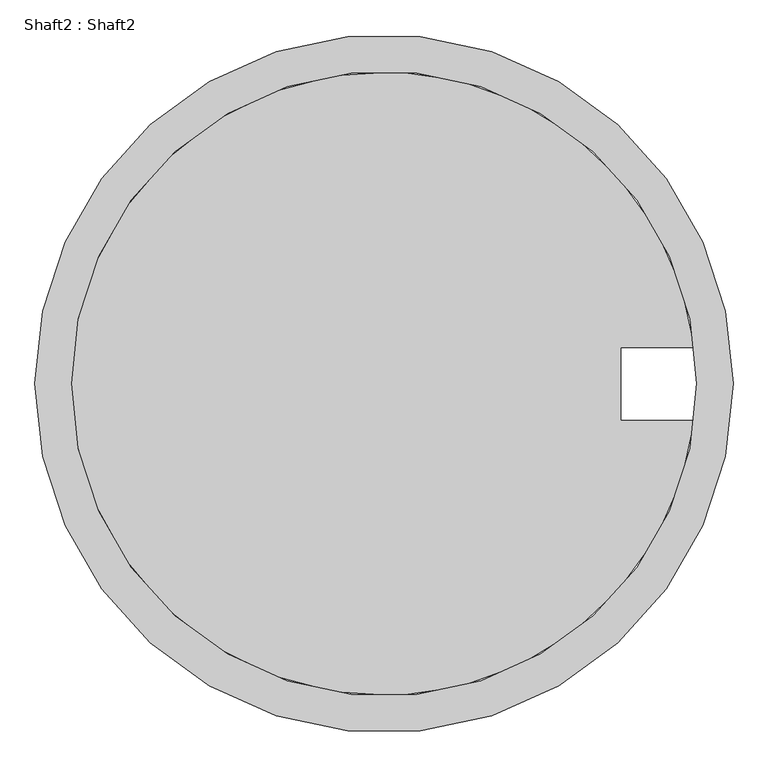
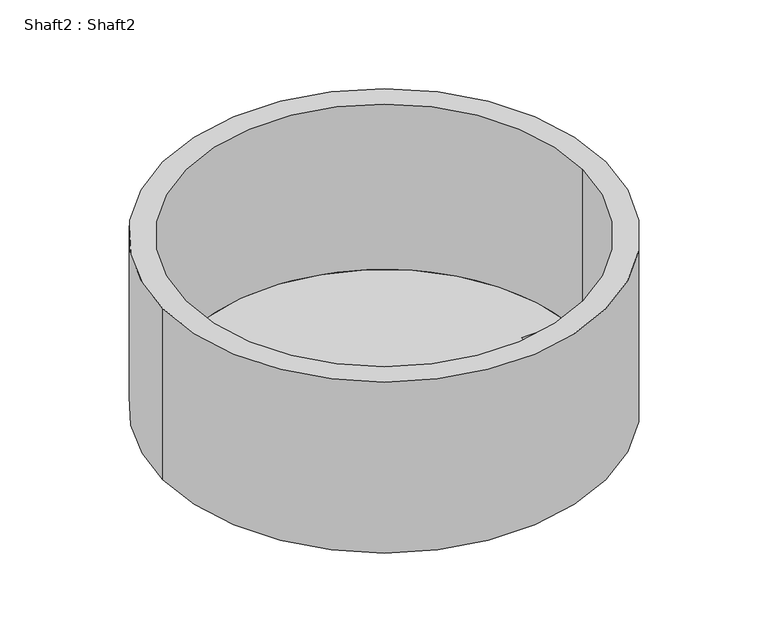
"""IFC4 building model written with IfcOpenShell, lengths in millimetres: proxy geometry, Shaft2 : Shaft2."""

from ifc_helpers import new_model, si_unit, frame, origin, place, context, project, spatial, polyline, circle_curve, source, transform, mapped, element, save
from ifc_brep_helpers import plane_surface, cylinder_surface, revolved_surface, advanced_brep


def shaft2_shaft2_d23c88e6(model_context):
    return source(origin(), model_context, "Body", "AdvancedBrep", [
        advanced_brep(
        [(7600.0, 3800.0, 0.0), (7600.0, 3800.0, 3100.0), (0.0, 3800.0, 3100.0), (0.0, 3800.0, 0.0), (7200.0, 3800.0, 0.0), (7200.0, 3800.0, 3100.0), (400.0, 3800.0, 3100.0), (400.0, 3800.0, 100.0), (7176.7120547, 4197.2602417, 100.0), (7176.7120547, 4197.2602417, 0.0), (6376.7120547, 4197.2602417, 100.0), (6376.7120547, 4197.2602417, 0.0), (6376.7120547, 3402.7397583, 100.0), (7176.7120547, 3402.7397583, 100.0), (7176.7120547, 3402.7397583, 0.0), (6376.7120547, 3402.7397583, 0.0)],
        [
            (0, 1),
            (1, 2, circle_curve(frame((3800.0, 3800.0, 3100.0), z_axis=(0.0, 0.0, -1.0), x_axis=(1.0, 0.0, 0.0)), 3800.0)),
            (2, 3),
            (3, 0, circle_curve(frame((3800.0, 3800.0, 0.0), z_axis=(0.0, 0.0, 1.0), x_axis=(1.0, 0.0, 0.0)), 3800.0)),
            (4, 5),
            (5, 6, circle_curve(frame((3800.0, 3800.0, 3100.0), z_axis=(0.0, 0.0, 1.0), x_axis=(1.0, 0.0, 0.0)), 3400.0)),
            (6, 7),
            (7, 8, circle_curve(frame((3800.0, 3800.0, 100.0), z_axis=(0.0, 0.0, -1.0), x_axis=(1.0, 0.0, 0.0)), 3400.0)),
            (8, 9),
            (9, 4, circle_curve(frame((3800.0, 3800.0, 0.0), z_axis=(0.0, 0.0, -1.0), x_axis=(1.0, 0.0, 0.0)), 3400.0)),
            (8, 10),
            (10, 11),
            (11, 9),
            (12, 13),
            (13, 14),
            (14, 15),
            (15, 12),
            (1, 2, circle_curve(frame((3800.0, 3800.0, 3100.0), z_axis=(0.0, 0.0, 1.0), x_axis=(1.0, 0.0, 0.0)), 3800.0)),
            (5, 6, circle_curve(frame((3800.0, 3800.0, 3100.0), z_axis=(0.0, 0.0, -1.0), x_axis=(1.0, 0.0, 0.0)), 3400.0)),
            (10, 12),
            (15, 11),
            (7, 13, circle_curve(frame((3800.0, 3800.0, 100.0), z_axis=(0.0, 0.0, 1.0), x_axis=(1.0, 0.0, 0.0)), 3400.0)),
            (4, 14, circle_curve(frame((3800.0, 3800.0, 0.0), z_axis=(0.0, 0.0, -1.0), x_axis=(1.0, 0.0, 0.0)), 3400.0)),
            (3, 0, circle_curve(frame((3800.0, 3800.0, 0.0), z_axis=(0.0, 0.0, -1.0), x_axis=(1.0, 0.0, 0.0)), 3800.0)),
        ],
        [
            cylinder_surface(frame((3800.0, 3800.0, 1550.0), z_axis=(0.0, 0.0, 1.0), x_axis=(1.0, 0.0, 0.0)), 3800.0),
            revolved_surface(polyline([(7200.0, 3800.0, 3100.0), (7200.0, 3800.0, 0.0)]), (3800.0, 3800.0, 1550.0), (0.0, 0.0, 1.0)),
            plane_surface(frame((6776.7120547, 4197.2602417, 100.0), z_axis=(0.0, -1.0, 0.0), x_axis=(0.0, 0.0, -1.0))),
            plane_surface(frame((6776.7120547, 3402.7397583, 100.0), z_axis=(0.0, 1.0, 0.0), x_axis=(0.0, 0.0, 1.0))),
            plane_surface(frame((7200.0, 3800.0, 3100.0), z_axis=(0.0, 0.0, 1.0), x_axis=(1.0, 0.0, 0.0))),
            plane_surface(frame((6376.7120547, 3800.0, 100.0), z_axis=(1.0, 0.0, 0.0), x_axis=(0.0, 0.0, -1.0))),
            plane_surface(frame((3800.0, 3800.0, 100.0), z_axis=(0.0, 0.0, 1.0), x_axis=(1.0, 0.0, 0.0))),
            plane_surface(frame((7600.0, 3800.0, 0.0), z_axis=(0.0, 0.0, -1.0), x_axis=(-1.0, 0.0, 0.0))),
        ],
        [
            (0, [[1, 2, 3, 4]]),
            (1, [[5, 6, 7, 8, 9, 10]]),
            (2, [[11, 12, 13, -9]]),
            (3, [[14, 15, 16, 17]]),
            (4, [[18, -2], [-6, 19]]),
            (5, [[20, -17, 21, -12]]),
            (6, [[-14, -20, -11, -8, 22]]),
            (1, [[-5, 23, -15, -22, -7, -19]]),
            (7, [[24, -4], [-23, -10, -13, -21, -16]]),
            (0, [[-1, -24, -3, -18]]),
        ],
    ),
    ])


if __name__ == "__main__":
    model = new_model("IFC4")
    model_context = context("Model", 3, world=origin())
    ifc_project = project(units=[si_unit("LENGTHUNIT", "METRE", prefix="MILLI")], contexts=[model_context])
    site = spatial("IfcSite", under=ifc_project)
    building = spatial("IfcBuilding", under=site)
    placement = place(None, origin())
    shaft2_shaft2_shape = shaft2_shaft2_d23c88e6(model_context)
    element("IfcBuildingElementProxy", 1, Name="Shaft2 : Shaft2", ObjectType="Shaft2 : Shaft2", at=placement, inside=building, context=model_context, shape_type="MappedRepresentation", body=[
        mapped(shaft2_shaft2_shape, transform((0.0, 0.0, 0.0), x_axis=(1.0, 0.0, 0.0), y_axis=(0.0, 1.0, 0.0), z_axis=(0.0, 0.0, 1.0))),
    ])
    save(model, "model.ifc")
